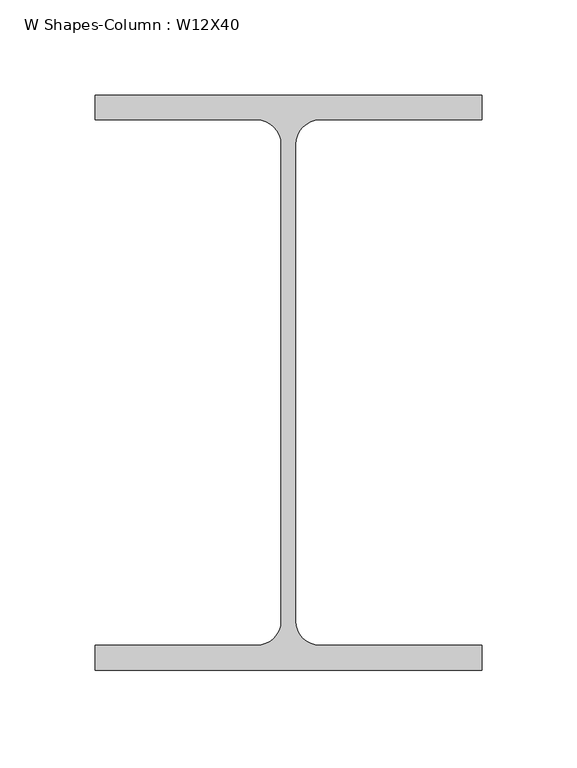
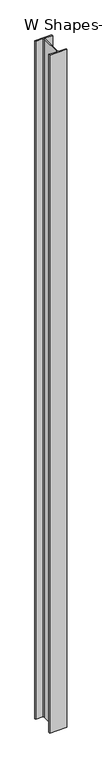
"""IFC4 building model written with IfcOpenShell, lengths in millimetres: column geometry, W Shapes-Column : W12X40."""

from ifc_helpers import new_model, si_unit, point, frame_2d, origin, origin_with_axes, place, context, project, spatial, polyline, circle_curve, trimmed, segment, composite_curve, outline, extrude, source, transform, mapped, element, save


def w_shapes_column_w12x40_78ebb36d(model_context):
    return source(origin(), model_context, "Body", "SweptSolid", [
        extrude(outline(composite_curve([segment(polyline([(101.727, 151.13), (101.727, 138.049), (16.5735, 138.049)]), True, "CONTINUOUS"), segment(trimmed(circle_curve(frame_2d((16.5735, 125.222)), 12.827), [point((16.5735, 138.049))], [point((3.7465, 125.222))], True, "CARTESIAN"), True, "CONTINUOUS"), segment(polyline([(3.7465, 125.222), (3.7465, -125.222)]), True, "CONTINUOUS"), segment(trimmed(circle_curve(frame_2d((16.5735, -125.222)), 12.827), [point((3.7465, -125.222))], [point((16.5735, -138.049))], True, "CARTESIAN"), True, "CONTINUOUS"), segment(polyline([(16.5735, -138.049), (101.727, -138.049), (101.727, -151.13), (-101.727, -151.13), (-101.727, -138.049), (-16.5735, -138.049)]), True, "CONTINUOUS"), segment(trimmed(circle_curve(frame_2d((-16.5735, -125.222)), 12.827), [point((-16.5735, -138.049))], [point((-3.7465, -125.222))], True, "CARTESIAN"), True, "CONTINUOUS"), segment(polyline([(-3.7465, -125.222), (-3.7465, 125.222)]), True, "CONTINUOUS"), segment(trimmed(circle_curve(frame_2d((-16.5735, 125.222)), 12.827), [point((-3.7465, 125.222))], [point((-16.5735, 138.049))], True, "CARTESIAN"), True, "CONTINUOUS"), segment(polyline([(-16.5735, 138.049), (-101.727, 138.049), (-101.727, 151.13), (101.727, 151.13)]), True, "CONTINUOUS")], self_intersect=False)), origin_with_axes(), (0.0, 0.0, 1.0), 8534.4),
    ])


if __name__ == "__main__":
    model = new_model("IFC4")
    model_context = context("Model", 3, world=origin())
    ifc_project = project(units=[si_unit("LENGTHUNIT", "METRE", prefix="MILLI")], contexts=[model_context])
    site = spatial("IfcSite", under=ifc_project)
    building = spatial("IfcBuilding", under=site)
    placement = place(None, origin())
    w_shapes_column_w12x40_shape = w_shapes_column_w12x40_78ebb36d(model_context)
    element("IfcColumn", 1, ObjectType="W Shapes-Column : W12X40", at=placement, inside=building, context=model_context, shape_type="MappedRepresentation", body=[
        mapped(w_shapes_column_w12x40_shape, transform((0.0, 0.0, 0.0), x_axis=(1.0, 0.0, 0.0), y_axis=(0.0, 1.0, 0.0), z_axis=(0.0, 0.0, 1.0))),
    ])
    save(model, "model.ifc")
